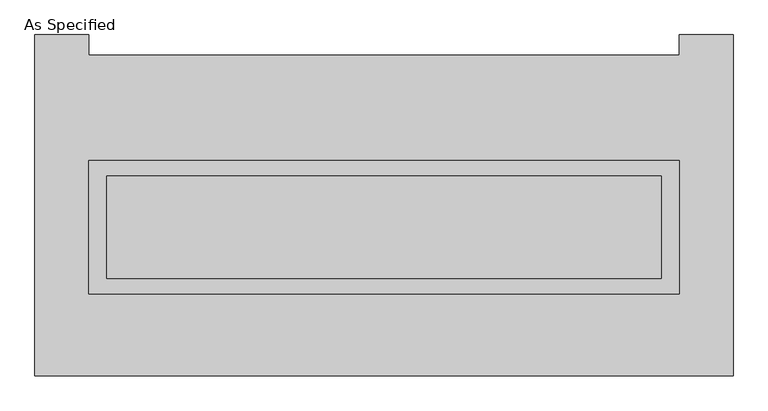
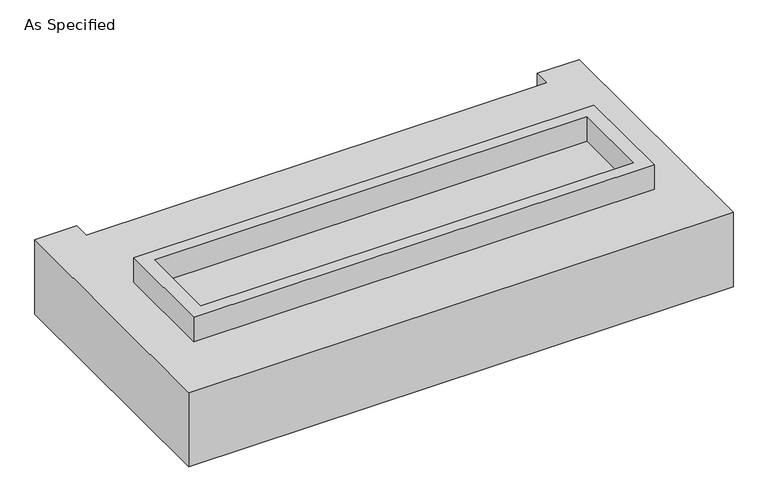
"""IFC4 building model written with IfcOpenShell, lengths in millimetres: proxy geometry, As Specified."""

from ifc_helpers import new_model, si_unit, frame, origin, place, context, project, spatial, polyline, outline, extrude, faceted_brep, source, transform, mapped, element, save


def as_specified_24df924a(model_context):
    return source(origin(), model_context, "Body", "SolidModel", [
        extrude(outline(polyline([(1460.5, 273.05), (1460.5, -387.35), (-1460.5, -387.35), (-1460.5, 273.05), (1460.5, 273.05)]), holes=[polyline([(1371.6, 196.85), (-1371.6, 196.85), (-1371.6, -311.15), (1371.6, -311.15), (1371.6, 196.85)])]), frame((0.0, 0.0, -25.4), z_axis=(0.0, 0.0, 1.0), x_axis=(1.0, 0.0, 0.0)), (0.0, 0.0, 1.0), 165.1),
        extrude(outline(polyline([(1371.6, 196.85), (1371.6, -311.15), (-1371.6, -311.15), (-1371.6, 196.85), (1371.6, 196.85)])), frame((0.0, 0.0, -30.3609375), z_axis=(0.0, 0.0, 1.0), x_axis=(1.0, 0.0, 0.0)), (0.0, 0.0, 1.0), 4.9609375),
        faceted_brep([(1727.2, -793.75, -523.875), (-1727.2, -793.75, -523.875), (-1727.2, 895.35, -523.875), (-1460.5, 895.35, -523.875), (-1460.5, 793.75, -523.875), (1460.5, 793.75, -523.875), (1460.5, 895.35, -523.875), (1727.2, 895.35, -523.875), (-1727.2, -793.75, -25.4), (1727.2, -793.75, -25.4), (1727.2, 895.35, -25.4), (1460.5, 895.35, -25.4), (1460.5, 793.75, -25.4), (-1460.5, 793.75, -25.4), (-1460.5, 895.35, -25.4), (-1727.2, 895.35, -25.4), (-1460.5, -387.35, -25.4), (-1460.5, 273.05, -25.4), (1460.5, 273.05, -25.4), (1460.5, -387.35, -25.4), (1460.5, 273.05, -498.475), (-1460.5, 273.05, -498.475), (-1460.5, -387.35, -498.475), (1460.5, -387.35, -498.475)], [[[0, 1, 2, 3, 4, 5, 6, 7]], [[8, 9, 10, 11, 12, 13, 14, 15], [16, 17, 18, 19]], [[4, 13, 12, 5]], [[1, 8, 15, 2]], [[10, 9, 0, 7]], [[20, 21, 22, 23]], [[22, 21, 17, 16]], [[21, 20, 18, 17]], [[20, 23, 19, 18]], [[16, 19, 23, 22]], [[1, 0, 9, 8]], [[4, 3, 14, 13]], [[3, 2, 15, 14]], [[6, 5, 12, 11]], [[7, 6, 11, 10]]]),
    ])


if __name__ == "__main__":
    model = new_model("IFC4")
    model_context = context("Model", 3, world=origin())
    ifc_project = project(units=[si_unit("LENGTHUNIT", "METRE", prefix="MILLI")], contexts=[model_context])
    site = spatial("IfcSite", under=ifc_project)
    building = spatial("IfcBuilding", under=site)
    placement = place(None, origin())
    as_specified_shape = as_specified_24df924a(model_context)
    element("IfcBuildingElementProxy", 1, Name="As Specified", ObjectType="As Specified", at=placement, inside=building, context=model_context, shape_type="MappedRepresentation", body=[
        mapped(as_specified_shape, transform((0.0, 0.0, 0.0), x_axis=(1.0, 0.0, 0.0), y_axis=(0.0, 1.0, 0.0), z_axis=(0.0, 0.0, 1.0))),
    ])
    save(model, "model.ifc")
